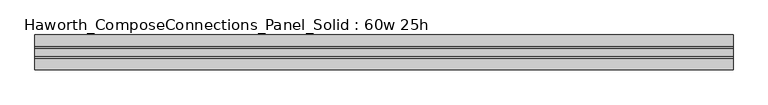
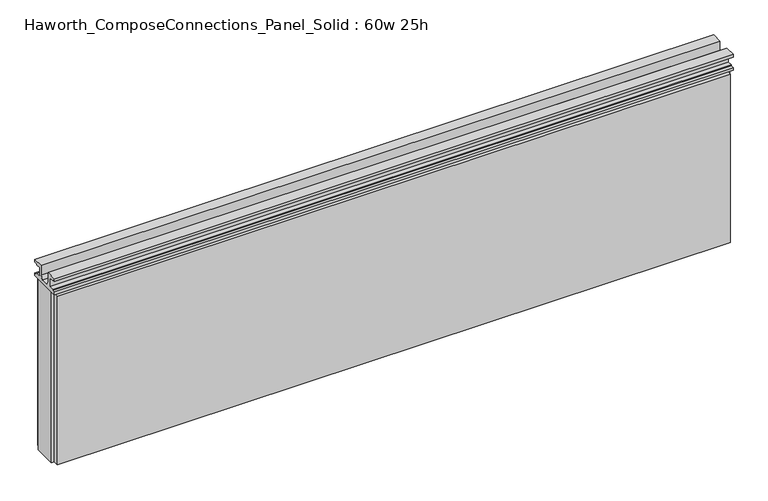
"""IFC4 building model written with IfcOpenShell, lengths in millimetres: furniture geometry, Haworth_ComposeConnections_Panel_Solid : 60w 25h."""

from ifc_helpers import new_model, si_unit, frame, origin, place, context, project, spatial, polyline, outline, extrude, source, transform, mapped, element, save


def haworth_composeconnections_panel_solid_60w_25h_5d333ad9(model_context):
    return source(origin(), model_context, "Body", "SweptSolid", [
        extrude(outline(polyline([(-38.1, 673.1), (-38.1, 679.45), (-13.5001003, 679.45), (-13.5001003, 657.6828071), (-8.7648475, 647.7), (8.7648498, 647.7), (13.5001026, 657.6828071), (13.5001026, 679.45), (38.1000023, 679.45), (38.1000023, 673.1), (30.6197023, 673.1), (30.6197023, 670.8139719), (19.6977019, 670.8139719), (19.6977019, 649.9860281), (30.6197023, 649.9860281), (30.6197023, 647.7), (38.1000011, 647.7), (38.1000011, 641.35), (-38.0999989, 641.35), (-38.0999989, 647.7), (-30.6197, 647.7), (-30.6197, 649.9860281), (-19.6976996, 649.9860281), (-19.6976996, 670.8139719), (-30.6197, 670.8139719), (-30.6197, 673.1), (-38.1, 673.1)])), frame((-759.5597098, 0.0, 0.0), z_axis=(1.0, 0.0, 0.0), x_axis=(0.0, 1.0, 0.0)), (0.0, 0.0, 1.0), 1524.0),
        extrude(outline(polyline([(764.4402902, -25.4), (-759.5597098, -25.4), (-759.5597098, 25.4), (764.4402902, 25.4), (764.4402902, -25.4)])), frame((0.0, 0.0, 234.95), z_axis=(0.0, 0.0, 1.0), x_axis=(1.0, 0.0, 0.0)), (0.0, 0.0, 1.0), 406.4),
        extrude(outline(polyline([(-753.2097098, -25.4), (758.0902902, -25.4), (758.0902902, -38.1), (-753.2097098, -38.1), (-753.2097098, -25.4)])), frame((0.0, 0.0, 234.95), z_axis=(0.0, 0.0, 1.0), x_axis=(1.0, 0.0, 0.0)), (0.0, 0.0, 1.0), 400.05),
        extrude(outline(polyline([(-753.2097098, 38.1), (758.0902902, 38.1), (758.0902902, 25.4), (-753.2097098, 25.4), (-753.2097098, 38.1)])), frame((0.0, 0.0, 234.95), z_axis=(0.0, 0.0, 1.0), x_axis=(1.0, 0.0, 0.0)), (0.0, 0.0, 1.0), 400.05),
    ])


if __name__ == "__main__":
    model = new_model("IFC4")
    model_context = context("Model", 3, world=origin())
    ifc_project = project(units=[si_unit("LENGTHUNIT", "METRE", prefix="MILLI")], contexts=[model_context])
    site = spatial("IfcSite", under=ifc_project)
    building = spatial("IfcBuilding", under=site)
    placement = place(None, origin())
    haworth_composeconnections_panel_solid_60w_25h_shape = haworth_composeconnections_panel_solid_60w_25h_5d333ad9(model_context)
    element("IfcFurniture", 1, ObjectType="Haworth_ComposeConnections_Panel_Solid : 60w 25h", at=placement, inside=building, context=model_context, shape_type="MappedRepresentation", body=[
        mapped(haworth_composeconnections_panel_solid_60w_25h_shape, transform((0.0, 0.0, 0.0), x_axis=(1.0, 0.0, 0.0), y_axis=(0.0, 1.0, 0.0), z_axis=(0.0, 0.0, 1.0))),
    ])
    save(model, "model.ifc")
